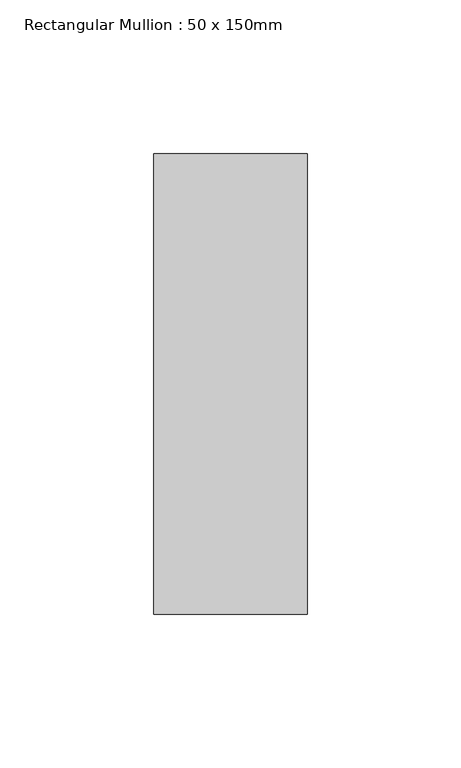
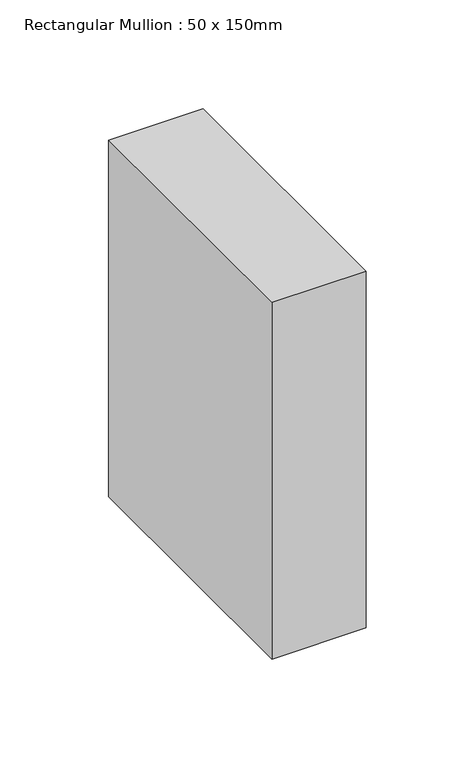
"""IFC4 building model written with IfcOpenShell, lengths in millimetres: member geometry, Rectangular Mullion : 50 x 150mm."""

import ifcopenshell
import ifcopenshell.guid

model = None  # the IFC model being written
_history = None  # IfcOwnerHistory: only IFC2X3 demands one
_inside = {}  # id of a spatial element -> (the spatial element, [elements in it])
_under = {}  # id of a project, library or spatial element -> (it, [spatial elements below it])
_declared = {}  # id of a project -> (the project, [libraries it declares])
_typed = {}  # id of a type object -> (the type object, [elements of that type])
_made_of = {}  # id of a material, layer set ... -> (it, [elements and type objects made of it])


def new_model(schema):
    """Start an empty IFC model of exactly this schema.

    Asked for "IFC4X3", IfcOpenShell would pick the latest addendum, in which some entities
    have other attributes; the version numbers below select the first issue.
    IFC2X3 requires an IfcOwnerHistory on every rooted entity: one is made here for all.
    """
    global model, _history
    if schema == "IFC4X3":
        model = ifcopenshell.file(schema_version=(4, 3, 0, 0))
    else:
        model = ifcopenshell.file(schema=schema)
    _inside.clear()
    _under.clear()
    _declared.clear()
    _typed.clear()
    _made_of.clear()
    _history = None
    if model.schema == "IFC2X3":
        org = make("IfcOrganization", Name="unknown")
        user = make(
            "IfcPersonAndOrganization",
            ThePerson=make("IfcPerson", FamilyName="unknown"),
            TheOrganization=org,
        )
        app = make(
            "IfcApplication",
            ApplicationDeveloper=org,
            Version="unknown",
            ApplicationFullName="unknown",
            ApplicationIdentifier="unknown",
        )
        _history = make(
            "IfcOwnerHistory",
            OwningUser=user,
            OwningApplication=app,
            ChangeAction="ADDED",
            CreationDate=0,
        )
    return model


def make(cls, **values):
    """One entity of the class cls with the attributes given. An attribute that is None is left unset."""
    return model.create_entity(
        cls, **{name: value for name, value in values.items() if value is not None}
    )


def rooted(cls, **values):
    """An entity with a GlobalId (a new one), such as an element, a storey or a relation."""
    return make(cls, GlobalId=ifcopenshell.guid.new(), OwnerHistory=_history, **values)


def si_unit(unit_type, name, prefix=None):
    """IfcSIUnit, for example si_unit("LENGTHUNIT", "METRE", prefix="MILLI")."""
    return make("IfcSIUnit", UnitType=unit_type, Prefix=prefix, Name=name)


def assignment(units):
    """IfcUnitAssignment: the units of a project."""
    return None if units is None else make("IfcUnitAssignment", Units=units)


def point(xyz):
    """IfcCartesianPoint."""
    return None if xyz is None else make("IfcCartesianPoint", Coordinates=xyz)


def direction(xyz):
    """IfcDirection."""
    return None if xyz is None else make("IfcDirection", DirectionRatios=xyz)


def frame(location, z_axis=None, x_axis=None):
    """IfcAxis2Placement3D, a coordinate frame: its origin and axes. An axis left out is left unset."""
    return make(
        "IfcAxis2Placement3D",
        Location=point(location),
        Axis=direction(z_axis),
        RefDirection=direction(x_axis),
    )


def origin():
    """The frame at (0, 0, 0) with its axes left unset."""
    return frame((0.0, 0.0, 0.0))


def place(relative_to, where):
    """IfcLocalPlacement: puts the frame where relative to a parent placement (None: the world)."""
    return make(
        "IfcLocalPlacement", PlacementRelTo=relative_to, RelativePlacement=where
    )


def context(
    kind, dimensions, precision=None, world=None, true_north=None, identifier=None
):
    """IfcGeometricRepresentationContext, for example the 3D "Model" context."""
    return make(
        "IfcGeometricRepresentationContext",
        ContextIdentifier=identifier,
        ContextType=kind,
        CoordinateSpaceDimension=dimensions,
        Precision=precision,
        WorldCoordinateSystem=world,
        TrueNorth=true_north,
    )


def project(units=None, contexts=None):
    """IfcProject with its units and contexts."""
    return rooted(
        "IfcProject",
        Name="project",
        RepresentationContexts=contexts,
        UnitsInContext=assignment(units),
    )


def spatial(cls, under=None, at=None, **own):
    """A site, building, storey or space (cls), placed at a placement, below another one or the project."""
    s = rooted(cls, ObjectPlacement=at, **own)
    if under is not None:
        _under.setdefault(under.id(), (under, []))[1].append(s)
    return s


def polyline(points):
    """IfcPolyline through the points."""
    return make("IfcPolyline", Points=[point(p) for p in points])


def outline(outer, holes=None, kind="AREA"):
    """IfcArbitraryClosedProfileDef: a profile drawn as a closed curve; with holes, ...WithVoids."""
    if holes is None:
        return make("IfcArbitraryClosedProfileDef", ProfileType=kind, OuterCurve=outer)
    return make(
        "IfcArbitraryProfileDefWithVoids",
        ProfileType=kind,
        OuterCurve=outer,
        InnerCurves=holes,
    )


def extrude(swept, where, along, depth):
    """IfcExtrudedAreaSolid: the profile swept, set in the frame where, extruded along a direction by depth."""
    return make(
        "IfcExtrudedAreaSolid",
        SweptArea=swept,
        Position=where,
        ExtrudedDirection=direction(along),
        Depth=depth,
    )


def shape(context_of_items, identifier, shape_type, items):
    """IfcShapeRepresentation: the items that make up one representation, for example the "Body"."""
    return make(
        "IfcShapeRepresentation",
        ContextOfItems=context_of_items,
        RepresentationIdentifier=identifier,
        RepresentationType=shape_type,
        Items=items,
    )


def source(mapping_origin, context_of_items, identifier, shape_type, items):
    """IfcRepresentationMap: a shape defined once, which mapped items show again and again."""
    return make(
        "IfcRepresentationMap",
        MappingOrigin=mapping_origin,
        MappedRepresentation=shape(context_of_items, identifier, shape_type, items),
    )


def transform(
    local_origin,
    x_axis=None,
    y_axis=None,
    z_axis=None,
    scale=None,
    scale2=None,
    scale3=None,
    uniform=True,
):
    """IfcCartesianTransformationOperator3D, or its non-uniform kind. x_axis, y_axis, z_axis: its Axis1, 2, 3."""
    if uniform:
        return make(
            "IfcCartesianTransformationOperator3D",
            Axis1=direction(x_axis),
            Axis2=direction(y_axis),
            LocalOrigin=point(local_origin),
            Scale=scale,
            Axis3=direction(z_axis),
        )
    return make(
        "IfcCartesianTransformationOperator3DnonUniform",
        Axis1=direction(x_axis),
        Axis2=direction(y_axis),
        LocalOrigin=point(local_origin),
        Scale=scale,
        Axis3=direction(z_axis),
        Scale2=scale2,
        Scale3=scale3,
    )


def mapped(mapping_source, mapping_target):
    """IfcMappedItem: shows the shape of a source again, moved by a transform."""
    return make(
        "IfcMappedItem", MappingSource=mapping_source, MappingTarget=mapping_target
    )


def made_of(thing, what):
    """Note that an element or type object is made of a material, layer set ...; save() writes the relation."""
    if what is not None:
        _made_of.setdefault(what.id(), (what, []))[1].append(thing)
    return thing


def element(
    cls,
    number,
    at=None,
    inside=None,
    cuts=None,
    type_object=None,
    material=None,
    context=None,
    identifier="Body",
    shape_type=None,
    held_by="IfcProductDefinitionShape",
    body=None,
    shapes=None,
    **own,
):
    """One element of the class cls, such as IfcWall. Its Tag is "e" and its number.

    at: its placement. inside: the storey or other place that contains it. cuts: it is an
    opening in that element (IfcRelVoidsElement). A single representation is given by context,
    identifier, shape_type and body (its items); several are given by shapes. held_by: the class
    of the entity that holds the representations. save() writes the other relations.
    """
    e = rooted(cls, Tag="e%d" % number, ObjectPlacement=at, **own)
    if body is not None:
        shapes = [shape(context, identifier, shape_type, body)]
    if shapes is not None:
        e.Representation = make(held_by, Representations=shapes)
    if inside is not None:
        _inside.setdefault(inside.id(), (inside, []))[1].append(e)
    if cuts is not None:
        rooted(
            "IfcRelVoidsElement", RelatingBuildingElement=cuts, RelatedOpeningElement=e
        )
    if type_object is not None:
        _typed.setdefault(type_object.id(), (type_object, []))[1].append(e)
    return made_of(e, material)


def aggregate(whole, parts):
    """IfcRelAggregates: a whole, such as a stair, and the parts it consists of."""
    return rooted("IfcRelAggregates", RelatingObject=whole, RelatedObjects=parts)


def save(model, path):
    """Write the relations noted so far, then the file.

    IfcRelAggregates (storeys below a building ...), IfcRelContainedInSpatialStructure (elements
    in a storey), IfcRelDefinesByType, IfcRelAssociatesMaterial and IfcRelDeclares: one each for
    every whole, place, type object, material and project.
    """
    for whole, parts in _under.values():
        aggregate(whole, parts)
    for where, things in _inside.values():
        rooted(
            "IfcRelContainedInSpatialStructure",
            RelatedElements=things,
            RelatingStructure=where,
        )
    for kind, things in _typed.values():
        rooted("IfcRelDefinesByType", RelatedObjects=things, RelatingType=kind)
    for what, things in _made_of.values():
        rooted("IfcRelAssociatesMaterial", RelatedObjects=things, RelatingMaterial=what)
    for by, libraries in _declared.values():
        rooted("IfcRelDeclares", RelatingContext=by, RelatedDefinitions=libraries)
    model.write(path)


def rectangular_mullion_50_x_150mm_3251d295(model_context):
    return source(origin(), model_context, "Body", "SweptSolid", [
        extrude(outline(polyline([(25.0, 75.0), (25.0, -75.0), (-25.0, -75.0), (-25.0, 75.0), (25.0, 75.0)])), frame((0.0, 0.0, -200.0), z_axis=(0.0, 0.0, 1.0), x_axis=(1.0, 0.0, 0.0)), (0.0, 0.0, 1.0), 200.0),
    ])


if __name__ == "__main__":
    model = new_model("IFC4")
    model_context = context("Model", 3, world=origin())
    ifc_project = project(units=[si_unit("LENGTHUNIT", "METRE", prefix="MILLI")], contexts=[model_context])
    site = spatial("IfcSite", under=ifc_project)
    building = spatial("IfcBuilding", under=site)
    placement = place(None, origin())
    rectangular_mullion_50_x_150mm_shape = rectangular_mullion_50_x_150mm_3251d295(model_context)
    element("IfcMember", 1, ObjectType="Rectangular Mullion : 50 x 150mm", at=placement, inside=building, context=model_context, shape_type="MappedRepresentation", body=[
        mapped(rectangular_mullion_50_x_150mm_shape, transform((0.0, 0.0, 0.0), x_axis=(1.0, 0.0, 0.0), y_axis=(0.0, 1.0, 0.0), z_axis=(0.0, 0.0, 1.0))),
    ])
    save(model, "model.ifc")
